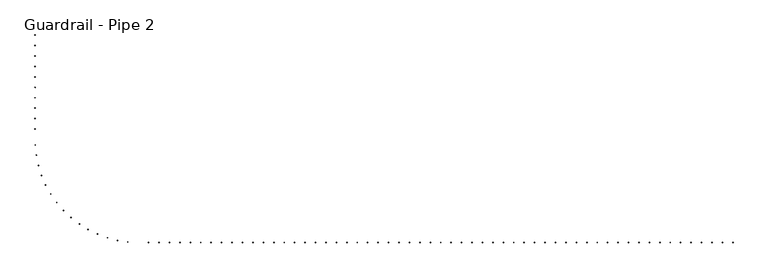
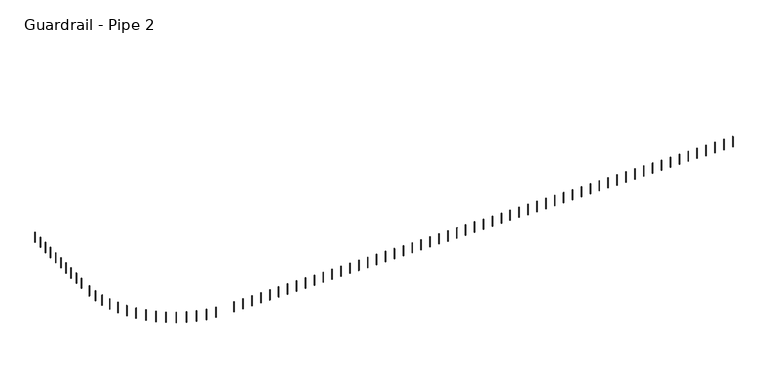
"""IFC4 building model written with IfcOpenShell, lengths in millimetres: railing geometry, Guardrail - Pipe 2."""

import ifcopenshell
import ifcopenshell.guid

model = None  # the IFC model being written
_history = None  # IfcOwnerHistory: only IFC2X3 demands one
_inside = {}  # id of a spatial element -> (the spatial element, [elements in it])
_under = {}  # id of a project, library or spatial element -> (it, [spatial elements below it])
_declared = {}  # id of a project -> (the project, [libraries it declares])
_typed = {}  # id of a type object -> (the type object, [elements of that type])
_made_of = {}  # id of a material, layer set ... -> (it, [elements and type objects made of it])


def new_model(schema):
    """Start an empty IFC model of exactly this schema.

    Asked for "IFC4X3", IfcOpenShell would pick the latest addendum, in which some entities
    have other attributes; the version numbers below select the first issue.
    IFC2X3 requires an IfcOwnerHistory on every rooted entity: one is made here for all.
    """
    global model, _history
    if schema == "IFC4X3":
        model = ifcopenshell.file(schema_version=(4, 3, 0, 0))
    else:
        model = ifcopenshell.file(schema=schema)
    _inside.clear()
    _under.clear()
    _declared.clear()
    _typed.clear()
    _made_of.clear()
    _history = None
    if model.schema == "IFC2X3":
        org = make("IfcOrganization", Name="unknown")
        user = make(
            "IfcPersonAndOrganization",
            ThePerson=make("IfcPerson", FamilyName="unknown"),
            TheOrganization=org,
        )
        app = make(
            "IfcApplication",
            ApplicationDeveloper=org,
            Version="unknown",
            ApplicationFullName="unknown",
            ApplicationIdentifier="unknown",
        )
        _history = make(
            "IfcOwnerHistory",
            OwningUser=user,
            OwningApplication=app,
            ChangeAction="ADDED",
            CreationDate=0,
        )
    return model


def make(cls, **values):
    """One entity of the class cls with the attributes given. An attribute that is None is left unset."""
    return model.create_entity(
        cls, **{name: value for name, value in values.items() if value is not None}
    )


def rooted(cls, **values):
    """An entity with a GlobalId (a new one), such as an element, a storey or a relation."""
    return make(cls, GlobalId=ifcopenshell.guid.new(), OwnerHistory=_history, **values)


def si_unit(unit_type, name, prefix=None):
    """IfcSIUnit, for example si_unit("LENGTHUNIT", "METRE", prefix="MILLI")."""
    return make("IfcSIUnit", UnitType=unit_type, Prefix=prefix, Name=name)


def assignment(units):
    """IfcUnitAssignment: the units of a project."""
    return None if units is None else make("IfcUnitAssignment", Units=units)


def point(xyz):
    """IfcCartesianPoint."""
    return None if xyz is None else make("IfcCartesianPoint", Coordinates=xyz)


def direction(xyz):
    """IfcDirection."""
    return None if xyz is None else make("IfcDirection", DirectionRatios=xyz)


def frame(location, z_axis=None, x_axis=None):
    """IfcAxis2Placement3D, a coordinate frame: its origin and axes. An axis left out is left unset."""
    return make(
        "IfcAxis2Placement3D",
        Location=point(location),
        Axis=direction(z_axis),
        RefDirection=direction(x_axis),
    )


def frame_2d(location, x_axis=None):
    """IfcAxis2Placement2D, a coordinate frame in the plane: its origin and x axis."""
    return make(
        "IfcAxis2Placement2D", Location=point(location), RefDirection=direction(x_axis)
    )


def origin():
    """The frame at (0, 0, 0) with its axes left unset."""
    return frame((0.0, 0.0, 0.0))


def place(relative_to, where):
    """IfcLocalPlacement: puts the frame where relative to a parent placement (None: the world)."""
    return make(
        "IfcLocalPlacement", PlacementRelTo=relative_to, RelativePlacement=where
    )


def context(
    kind, dimensions, precision=None, world=None, true_north=None, identifier=None
):
    """IfcGeometricRepresentationContext, for example the 3D "Model" context."""
    return make(
        "IfcGeometricRepresentationContext",
        ContextIdentifier=identifier,
        ContextType=kind,
        CoordinateSpaceDimension=dimensions,
        Precision=precision,
        WorldCoordinateSystem=world,
        TrueNorth=true_north,
    )


def project(units=None, contexts=None):
    """IfcProject with its units and contexts."""
    return rooted(
        "IfcProject",
        Name="project",
        RepresentationContexts=contexts,
        UnitsInContext=assignment(units),
    )


def spatial(cls, under=None, at=None, **own):
    """A site, building, storey or space (cls), placed at a placement, below another one or the project."""
    s = rooted(cls, ObjectPlacement=at, **own)
    if under is not None:
        _under.setdefault(under.id(), (under, []))[1].append(s)
    return s


def circle_curve(where, radius):
    """IfcCircle in the frame where."""
    return make("IfcCircle", Position=where, Radius=radius)


def trimmed(basis, trim1, trim2, sense, master):
    """IfcTrimmedCurve: the piece of a basis curve between two trims."""
    return make(
        "IfcTrimmedCurve",
        BasisCurve=basis,
        Trim1=trim1,
        Trim2=trim2,
        SenseAgreement=sense,
        MasterRepresentation=master,
    )


def segment(curve, same_sense, transition):
    """IfcCompositeCurveSegment."""
    return make(
        "IfcCompositeCurveSegment",
        Transition=transition,
        SameSense=same_sense,
        ParentCurve=curve,
    )


def composite_curve(segments, self_intersect=None):
    """IfcCompositeCurve: segments joined end to end."""
    return make("IfcCompositeCurve", Segments=segments, SelfIntersect=self_intersect)


def outline(outer, holes=None, kind="AREA"):
    """IfcArbitraryClosedProfileDef: a profile drawn as a closed curve; with holes, ...WithVoids."""
    if holes is None:
        return make("IfcArbitraryClosedProfileDef", ProfileType=kind, OuterCurve=outer)
    return make(
        "IfcArbitraryProfileDefWithVoids",
        ProfileType=kind,
        OuterCurve=outer,
        InnerCurves=holes,
    )


def extrude(swept, where, along, depth):
    """IfcExtrudedAreaSolid: the profile swept, set in the frame where, extruded along a direction by depth."""
    return make(
        "IfcExtrudedAreaSolid",
        SweptArea=swept,
        Position=where,
        ExtrudedDirection=direction(along),
        Depth=depth,
    )


def shape(context_of_items, identifier, shape_type, items):
    """IfcShapeRepresentation: the items that make up one representation, for example the "Body"."""
    return make(
        "IfcShapeRepresentation",
        ContextOfItems=context_of_items,
        RepresentationIdentifier=identifier,
        RepresentationType=shape_type,
        Items=items,
    )


def source(mapping_origin, context_of_items, identifier, shape_type, items):
    """IfcRepresentationMap: a shape defined once, which mapped items show again and again."""
    return make(
        "IfcRepresentationMap",
        MappingOrigin=mapping_origin,
        MappedRepresentation=shape(context_of_items, identifier, shape_type, items),
    )


def transform(
    local_origin,
    x_axis=None,
    y_axis=None,
    z_axis=None,
    scale=None,
    scale2=None,
    scale3=None,
    uniform=True,
):
    """IfcCartesianTransformationOperator3D, or its non-uniform kind. x_axis, y_axis, z_axis: its Axis1, 2, 3."""
    if uniform:
        return make(
            "IfcCartesianTransformationOperator3D",
            Axis1=direction(x_axis),
            Axis2=direction(y_axis),
            LocalOrigin=point(local_origin),
            Scale=scale,
            Axis3=direction(z_axis),
        )
    return make(
        "IfcCartesianTransformationOperator3DnonUniform",
        Axis1=direction(x_axis),
        Axis2=direction(y_axis),
        LocalOrigin=point(local_origin),
        Scale=scale,
        Axis3=direction(z_axis),
        Scale2=scale2,
        Scale3=scale3,
    )


def mapped(mapping_source, mapping_target):
    """IfcMappedItem: shows the shape of a source again, moved by a transform."""
    return make(
        "IfcMappedItem", MappingSource=mapping_source, MappingTarget=mapping_target
    )


def made_of(thing, what):
    """Note that an element or type object is made of a material, layer set ...; save() writes the relation."""
    if what is not None:
        _made_of.setdefault(what.id(), (what, []))[1].append(thing)
    return thing


def element(
    cls,
    number,
    at=None,
    inside=None,
    cuts=None,
    type_object=None,
    material=None,
    context=None,
    identifier="Body",
    shape_type=None,
    held_by="IfcProductDefinitionShape",
    body=None,
    shapes=None,
    **own,
):
    """One element of the class cls, such as IfcWall. Its Tag is "e" and its number.

    at: its placement. inside: the storey or other place that contains it. cuts: it is an
    opening in that element (IfcRelVoidsElement). A single representation is given by context,
    identifier, shape_type and body (its items); several are given by shapes. held_by: the class
    of the entity that holds the representations. save() writes the other relations.
    """
    e = rooted(cls, Tag="e%d" % number, ObjectPlacement=at, **own)
    if body is not None:
        shapes = [shape(context, identifier, shape_type, body)]
    if shapes is not None:
        e.Representation = make(held_by, Representations=shapes)
    if inside is not None:
        _inside.setdefault(inside.id(), (inside, []))[1].append(e)
    if cuts is not None:
        rooted(
            "IfcRelVoidsElement", RelatingBuildingElement=cuts, RelatedOpeningElement=e
        )
    if type_object is not None:
        _typed.setdefault(type_object.id(), (type_object, []))[1].append(e)
    return made_of(e, material)


def aggregate(whole, parts):
    """IfcRelAggregates: a whole, such as a stair, and the parts it consists of."""
    return rooted("IfcRelAggregates", RelatingObject=whole, RelatedObjects=parts)


def save(model, path):
    """Write the relations noted so far, then the file.

    IfcRelAggregates (storeys below a building ...), IfcRelContainedInSpatialStructure (elements
    in a storey), IfcRelDefinesByType, IfcRelAssociatesMaterial and IfcRelDeclares: one each for
    every whole, place, type object, material and project.
    """
    for whole, parts in _under.values():
        aggregate(whole, parts)
    for where, things in _inside.values():
        rooted(
            "IfcRelContainedInSpatialStructure",
            RelatedElements=things,
            RelatingStructure=where,
        )
    for kind, things in _typed.values():
        rooted("IfcRelDefinesByType", RelatedObjects=things, RelatingType=kind)
    for what, things in _made_of.values():
        rooted("IfcRelAssociatesMaterial", RelatedObjects=things, RelatingMaterial=what)
    for by, libraries in _declared.values():
        rooted("IfcRelDeclares", RelatingContext=by, RelatedDefinitions=libraries)
    model.write(path)


def guardrail_pipe_2_c01eb0e3(model_context):
    return source(origin(), model_context, "Body", "SweptSolid", [
        extrude(outline(composite_curve([segment(trimmed(circle_curve(frame_2d((588944.8254676, -278562.6080223)), 12.7), [point((588932.1254676, -278562.6080223))], [point((588957.5254676, -278562.6080223))], False, "CARTESIAN"), True, "CONTINUOUS"), segment(trimmed(circle_curve(frame_2d((588944.8254676, -278562.6080223)), 12.7), [point((588957.5254676, -278562.6080223))], [point((588932.1254676, -278562.6080223))], False, "CARTESIAN"), True, "CONTINUOUS")], self_intersect=False)), frame((0.0, 0.0, 4267.2), z_axis=(0.0, 0.0, 1.0), x_axis=(1.0, 0.0, 0.0)), (0.0, 0.0, 1.0), 723.9),
        extrude(outline(composite_curve([segment(trimmed(circle_curve(frame_2d((588944.8254676, -279172.2080223)), 12.7), [point((588932.1254676, -279172.2080223))], [point((588957.5254676, -279172.2080223))], False, "CARTESIAN"), True, "CONTINUOUS"), segment(trimmed(circle_curve(frame_2d((588944.8254676, -279172.2080223)), 12.7), [point((588957.5254676, -279172.2080223))], [point((588932.1254676, -279172.2080223))], False, "CARTESIAN"), True, "CONTINUOUS")], self_intersect=False)), frame((0.0, 0.0, 4267.2), z_axis=(0.0, 0.0, 1.0), x_axis=(1.0, 0.0, 0.0)), (0.0, 0.0, 1.0), 723.9),
        extrude(outline(composite_curve([segment(trimmed(circle_curve(frame_2d((588944.8254676, -279781.8080223)), 12.7), [point((588932.1254676, -279781.8080223))], [point((588957.5254676, -279781.8080223))], False, "CARTESIAN"), True, "CONTINUOUS"), segment(trimmed(circle_curve(frame_2d((588944.8254676, -279781.8080223)), 12.7), [point((588957.5254676, -279781.8080223))], [point((588932.1254676, -279781.8080223))], False, "CARTESIAN"), True, "CONTINUOUS")], self_intersect=False)), frame((0.0, 0.0, 4267.2), z_axis=(0.0, 0.0, 1.0), x_axis=(1.0, 0.0, 0.0)), (0.0, 0.0, 1.0), 723.9),
        extrude(outline(composite_curve([segment(trimmed(circle_curve(frame_2d((588944.8254676, -280391.4080223)), 12.7), [point((588932.1254676, -280391.4080223))], [point((588957.5254676, -280391.4080223))], False, "CARTESIAN"), True, "CONTINUOUS"), segment(trimmed(circle_curve(frame_2d((588944.8254676, -280391.4080223)), 12.7), [point((588957.5254676, -280391.4080223))], [point((588932.1254676, -280391.4080223))], False, "CARTESIAN"), True, "CONTINUOUS")], self_intersect=False)), frame((0.0, 0.0, 4267.2), z_axis=(0.0, 0.0, 1.0), x_axis=(1.0, 0.0, 0.0)), (0.0, 0.0, 1.0), 723.9),
        extrude(outline(composite_curve([segment(trimmed(circle_curve(frame_2d((588944.8254676, -281001.0080223)), 12.7), [point((588932.1254676, -281001.0080223))], [point((588957.5254676, -281001.0080223))], False, "CARTESIAN"), True, "CONTINUOUS"), segment(trimmed(circle_curve(frame_2d((588944.8254676, -281001.0080223)), 12.7), [point((588957.5254676, -281001.0080223))], [point((588932.1254676, -281001.0080223))], False, "CARTESIAN"), True, "CONTINUOUS")], self_intersect=False)), frame((0.0, 0.0, 4267.2), z_axis=(0.0, 0.0, 1.0), x_axis=(1.0, 0.0, 0.0)), (0.0, 0.0, 1.0), 723.9),
        extrude(outline(composite_curve([segment(trimmed(circle_curve(frame_2d((588944.8254676, -281610.6080223)), 12.7), [point((588932.1254676, -281610.6080223))], [point((588957.5254676, -281610.6080223))], False, "CARTESIAN"), True, "CONTINUOUS"), segment(trimmed(circle_curve(frame_2d((588944.8254676, -281610.6080223)), 12.7), [point((588957.5254676, -281610.6080223))], [point((588932.1254676, -281610.6080223))], False, "CARTESIAN"), True, "CONTINUOUS")], self_intersect=False)), frame((0.0, 0.0, 4267.2), z_axis=(0.0, 0.0, 1.0), x_axis=(1.0, 0.0, 0.0)), (0.0, 0.0, 1.0), 723.9),
        extrude(outline(composite_curve([segment(trimmed(circle_curve(frame_2d((588944.8254676, -282220.2080223)), 12.7), [point((588932.1254676, -282220.2080223))], [point((588957.5254676, -282220.2080223))], False, "CARTESIAN"), True, "CONTINUOUS"), segment(trimmed(circle_curve(frame_2d((588944.8254676, -282220.2080223)), 12.7), [point((588957.5254676, -282220.2080223))], [point((588932.1254676, -282220.2080223))], False, "CARTESIAN"), True, "CONTINUOUS")], self_intersect=False)), frame((0.0, 0.0, 4267.2), z_axis=(0.0, 0.0, 1.0), x_axis=(1.0, 0.0, 0.0)), (0.0, 0.0, 1.0), 723.9),
        extrude(outline(composite_curve([segment(trimmed(circle_curve(frame_2d((588944.8254676, -282829.8080223)), 12.7), [point((588932.1254676, -282829.8080223))], [point((588957.5254676, -282829.8080223))], False, "CARTESIAN"), True, "CONTINUOUS"), segment(trimmed(circle_curve(frame_2d((588944.8254676, -282829.8080223)), 12.7), [point((588957.5254676, -282829.8080223))], [point((588932.1254676, -282829.8080223))], False, "CARTESIAN"), True, "CONTINUOUS")], self_intersect=False)), frame((0.0, 0.0, 4267.2), z_axis=(0.0, 0.0, 1.0), x_axis=(1.0, 0.0, 0.0)), (0.0, 0.0, 1.0), 723.9),
        extrude(outline(composite_curve([segment(trimmed(circle_curve(frame_2d((588944.8254676, -283439.4080223)), 12.7), [point((588932.1254676, -283439.4080223))], [point((588957.5254676, -283439.4080223))], False, "CARTESIAN"), True, "CONTINUOUS"), segment(trimmed(circle_curve(frame_2d((588944.8254676, -283439.4080223)), 12.7), [point((588957.5254676, -283439.4080223))], [point((588932.1254676, -283439.4080223))], False, "CARTESIAN"), True, "CONTINUOUS")], self_intersect=False)), frame((0.0, 0.0, 4267.2), z_axis=(0.0, 0.0, 1.0), x_axis=(1.0, 0.0, 0.0)), (0.0, 0.0, 1.0), 723.9),
        extrude(outline(composite_curve([segment(trimmed(circle_curve(frame_2d((588944.8254676, -284049.0080223)), 12.7), [point((588932.1254676, -284049.0080223))], [point((588957.5254676, -284049.0080223))], False, "CARTESIAN"), True, "CONTINUOUS"), segment(trimmed(circle_curve(frame_2d((588944.8254676, -284049.0080223)), 12.7), [point((588957.5254676, -284049.0080223))], [point((588932.1254676, -284049.0080223))], False, "CARTESIAN"), True, "CONTINUOUS")], self_intersect=False)), frame((0.0, 0.0, 4267.2), z_axis=(0.0, 0.0, 1.0), x_axis=(1.0, 0.0, 0.0)), (0.0, 0.0, 1.0), 723.9),
        extrude(outline(composite_curve([segment(trimmed(circle_curve(frame_2d((588952.9027467, -284970.348246)), 12.7), [point((588940.2197874, -284971.0059258))], [point((588965.585706, -284969.6905663))], False, "CARTESIAN"), True, "CONTINUOUS"), segment(trimmed(circle_curve(frame_2d((588952.9027467, -284970.348246)), 12.7), [point((588965.585706, -284969.6905663))], [point((588940.2197874, -284971.0059258))], False, "CARTESIAN"), True, "CONTINUOUS")], self_intersect=False)), frame((0.0, 0.0, 4267.2), z_axis=(0.0, 0.0, 1.0), x_axis=(1.0, 0.0, 0.0)), (0.0, 0.0, 1.0), 723.9),
        extrude(outline(composite_curve([segment(trimmed(circle_curve(frame_2d((589015.2155249, -285576.4932946)), 12.7), [point((589002.6640271, -285578.4297614))], [point((589027.7670226, -285574.5568278))], False, "CARTESIAN"), True, "CONTINUOUS"), segment(trimmed(circle_curve(frame_2d((589015.2155249, -285576.4932946)), 12.7), [point((589027.7670226, -285574.5568278))], [point((589002.6640271, -285578.4297614))], False, "CARTESIAN"), True, "CONTINUOUS")], self_intersect=False)), frame((0.0, 0.0, 4267.2), z_axis=(0.0, 0.0, 1.0), x_axis=(1.0, 0.0, 0.0)), (0.0, 0.0, 1.0), 723.9),
        extrude(outline(composite_curve([segment(trimmed(circle_curve(frame_2d((589138.485996, -286173.2336847)), 12.7), [point((589126.1945625, -286176.4290975))], [point((589150.7774295, -286170.0382719))], False, "CARTESIAN"), True, "CONTINUOUS"), segment(trimmed(circle_curve(frame_2d((589138.485996, -286173.2336847)), 12.7), [point((589150.7774295, -286170.0382719))], [point((589126.1945625, -286176.4290975))], False, "CARTESIAN"), True, "CONTINUOUS")], self_intersect=False)), frame((0.0, 0.0, 4267.2), z_axis=(0.0, 0.0, 1.0), x_axis=(1.0, 0.0, 0.0)), (0.0, 0.0, 1.0), 723.9),
        extrude(outline(composite_curve([segment(trimmed(circle_curve(frame_2d((589321.45113, -286754.4552103)), 12.7), [point((589309.5456989, -286758.8768289))], [point((589333.3565611, -286750.0335918))], False, "CARTESIAN"), True, "CONTINUOUS"), segment(trimmed(circle_curve(frame_2d((589321.45113, -286754.4552103)), 12.7), [point((589333.3565611, -286750.0335918))], [point((589309.5456989, -286758.8768289))], False, "CARTESIAN"), True, "CONTINUOUS")], self_intersect=False)), frame((0.0, 0.0, 4267.2), z_axis=(0.0, 0.0, 1.0), x_axis=(1.0, 0.0, 0.0)), (0.0, 0.0, 1.0), 723.9),
        extrude(outline(composite_curve([segment(trimmed(circle_curve(frame_2d((589562.236265, -287314.2026721)), 12.7), [point((589550.8388195, -287319.8051925))], [point((589573.6337106, -287308.6001517))], False, "CARTESIAN"), True, "CONTINUOUS"), segment(trimmed(circle_curve(frame_2d((589562.236265, -287314.2026721)), 12.7), [point((589573.6337106, -287308.6001517))], [point((589550.8388195, -287319.8051925))], False, "CARTESIAN"), True, "CONTINUOUS")], self_intersect=False)), frame((0.0, 0.0, 4267.2), z_axis=(0.0, 0.0, 1.0), x_axis=(1.0, 0.0, 0.0)), (0.0, 0.0, 1.0), 723.9),
        extrude(outline(composite_curve([segment(trimmed(circle_curve(frame_2d((589858.374315, -287846.7408938)), 12.7), [point((589847.6016332, -287853.4669125))], [point((589869.1469967, -287840.0148751))], False, "CARTESIAN"), True, "CONTINUOUS"), segment(trimmed(circle_curve(frame_2d((589858.374315, -287846.7408938)), 12.7), [point((589869.1469967, -287840.0148751))], [point((589847.6016332, -287853.4669125))], False, "CARTESIAN"), True, "CONTINUOUS")], self_intersect=False)), frame((0.0, 0.0, 4267.2), z_axis=(0.0, 0.0, 1.0), x_axis=(1.0, 0.0, 0.0)), (0.0, 0.0, 1.0), 723.9),
        extrude(outline(composite_curve([segment(trimmed(circle_curve(frame_2d((590206.8310475, -288346.6134854)), 12.7), [point((590196.7935065, -288354.3940876))], [point((590216.8685884, -288338.8328831))], False, "CARTESIAN"), True, "CONTINUOUS"), segment(trimmed(circle_curve(frame_2d((590206.8310475, -288346.6134854)), 12.7), [point((590216.8685884, -288338.8328831))], [point((590196.7935065, -288354.3940876))], False, "CARTESIAN"), True, "CONTINUOUS")], self_intersect=False)), frame((0.0, 0.0, 4267.2), z_axis=(0.0, 0.0, 1.0), x_axis=(1.0, 0.0, 0.0)), (0.0, 0.0, 1.0), 723.9),
        extrude(outline(composite_curve([segment(trimmed(circle_curve(frame_2d((590604.0361725, -288808.698749)), 12.7), [point((590594.836617, -288817.4542146))], [point((590613.235728, -288799.9432833))], False, "CARTESIAN"), True, "CONTINUOUS"), segment(trimmed(circle_curve(frame_2d((590604.0361725, -288808.698749)), 12.7), [point((590613.235728, -288799.9432833))], [point((590594.836617, -288817.4542146))], False, "CARTESIAN"), True, "CONTINUOUS")], self_intersect=False)), frame((0.0, 0.0, 4267.2), z_axis=(0.0, 0.0, 1.0), x_axis=(1.0, 0.0, 0.0)), (0.0, 0.0, 1.0), 723.9),
        extrude(outline(composite_curve([segment(trimmed(circle_curve(frame_2d((591045.9199238, -289228.262156)), 12.7), [point((591037.6526126, -289237.9027765))], [point((591054.1872351, -289218.6215354))], False, "CARTESIAN"), True, "CONTINUOUS"), segment(trimmed(circle_curve(frame_2d((591045.9199238, -289228.262156)), 12.7), [point((591054.1872351, -289218.6215354))], [point((591037.6526126, -289237.9027765))], False, "CARTESIAN"), True, "CONTINUOUS")], self_intersect=False)), frame((0.0, 0.0, 4267.2), z_axis=(0.0, 0.0, 1.0), x_axis=(1.0, 0.0, 0.0)), (0.0, 0.0, 1.0), 723.9),
        extrude(outline(composite_curve([segment(trimmed(circle_curve(frame_2d((591527.9547577, -289601.004857)), 12.7), [point((591520.7043975, -289611.4318545))], [point((591535.2051178, -289590.5778595))], False, "CARTESIAN"), True, "CONTINUOUS"), segment(trimmed(circle_curve(frame_2d((591527.9547577, -289601.004857)), 12.7), [point((591535.2051178, -289590.5778595))], [point((591520.7043975, -289611.4318545))], False, "CARTESIAN"), True, "CONTINUOUS")], self_intersect=False)), frame((0.0, 0.0, 4267.2), z_axis=(0.0, 0.0, 1.0), x_axis=(1.0, 0.0, 0.0)), (0.0, 0.0, 1.0), 723.9),
        extrude(outline(composite_curve([segment(trimmed(circle_curve(frame_2d((592045.2017419, -289923.1077279)), 12.7), [point((592039.0426202, -289934.2142674))], [point((592051.3608637, -289912.0011884))], False, "CARTESIAN"), True, "CONTINUOUS"), segment(trimmed(circle_curve(frame_2d((592045.2017419, -289923.1077279)), 12.7), [point((592051.3608637, -289912.0011884))], [point((592039.0426202, -289934.2142674))], False, "CARTESIAN"), True, "CONTINUOUS")], self_intersect=False)), frame((0.0, 0.0, 4267.2), z_axis=(0.0, 0.0, 1.0), x_axis=(1.0, 0.0, 0.0)), (0.0, 0.0, 1.0), 723.9),
        extrude(outline(composite_curve([segment(trimmed(circle_curve(frame_2d((592592.3611607, -290191.2705006)), 12.7), [point((592587.3563837, -290202.9427843))], [point((592597.3659377, -290179.5982169))], False, "CARTESIAN"), True, "CONTINUOUS"), segment(trimmed(circle_curve(frame_2d((592592.3611607, -290191.2705006)), 12.7), [point((592597.3659377, -290179.5982169))], [point((592587.3563837, -290202.9427843))], False, "CARTESIAN"), True, "CONTINUOUS")], self_intersect=False)), frame((0.0, 0.0, 4267.2), z_axis=(0.0, 0.0, 1.0), x_axis=(1.0, 0.0, 0.0)), (0.0, 0.0, 1.0), 723.9),
        extrude(outline(composite_curve([segment(trimmed(circle_curve(frame_2d((593163.826815, -290402.7455775)), 12.7), [point((593160.0276617, -290414.8640112))], [point((593167.6259683, -290390.6271438))], False, "CARTESIAN"), True, "CONTINUOUS"), segment(trimmed(circle_curve(frame_2d((593163.826815, -290402.7455775)), 12.7), [point((593167.6259683, -290390.6271438))], [point((593160.0276617, -290414.8640112))], False, "CARTESIAN"), True, "CONTINUOUS")], self_intersect=False)), frame((0.0, 0.0, 4267.2), z_axis=(0.0, 0.0, 1.0), x_axis=(1.0, 0.0, 0.0)), (0.0, 0.0, 1.0), 723.9),
        extrude(outline(composite_curve([segment(trimmed(circle_curve(frame_2d((593753.743464, -290555.3661837)), 12.7), [point((593751.1888606, -290567.8066017))], [point((593756.2980674, -290542.9257656))], False, "CARTESIAN"), True, "CONTINUOUS"), segment(trimmed(circle_curve(frame_2d((593753.743464, -290555.3661837)), 12.7), [point((593756.2980674, -290542.9257656))], [point((593751.1888606, -290567.8066017))], False, "CARTESIAN"), True, "CONTINUOUS")], self_intersect=False)), frame((0.0, 0.0, 4267.2), z_axis=(0.0, 0.0, 1.0), x_axis=(1.0, 0.0, 0.0)), (0.0, 0.0, 1.0), 723.9),
        extrude(outline(composite_curve([segment(trimmed(circle_curve(frame_2d((594356.0668179, -290647.5685674)), 12.7), [point((594354.7829389, -290660.2035052))], [point((594357.3506969, -290634.9336295))], False, "CARTESIAN"), True, "CONTINUOUS"), segment(trimmed(circle_curve(frame_2d((594356.0668179, -290647.5685674)), 12.7), [point((594357.3506969, -290634.9336295))], [point((594354.7829389, -290660.2035052))], False, "CARTESIAN"), True, "CONTINUOUS")], self_intersect=False)), frame((0.0, 0.0, 4267.2), z_axis=(0.0, 0.0, 1.0), x_axis=(1.0, 0.0, 0.0)), (0.0, 0.0, 1.0), 723.9),
        extrude(outline(composite_curve([segment(trimmed(circle_curve(frame_2d((595574.2254676, -290678.4080223)), 12.7), [point((595574.2254676, -290691.1080223))], [point((595574.2254676, -290665.7080223))], False, "CARTESIAN"), True, "CONTINUOUS"), segment(trimmed(circle_curve(frame_2d((595574.2254676, -290678.4080223)), 12.7), [point((595574.2254676, -290665.7080223))], [point((595574.2254676, -290691.1080223))], False, "CARTESIAN"), True, "CONTINUOUS")], self_intersect=False)), frame((0.0, 0.0, 4267.2), z_axis=(0.0, 0.0, 1.0), x_axis=(1.0, 0.0, 0.0)), (0.0, 0.0, 1.0), 723.9),
        extrude(outline(composite_curve([segment(trimmed(circle_curve(frame_2d((596183.8254676, -290678.4080223)), 12.7), [point((596183.8254676, -290691.1080223))], [point((596183.8254676, -290665.7080223))], False, "CARTESIAN"), True, "CONTINUOUS"), segment(trimmed(circle_curve(frame_2d((596183.8254676, -290678.4080223)), 12.7), [point((596183.8254676, -290665.7080223))], [point((596183.8254676, -290691.1080223))], False, "CARTESIAN"), True, "CONTINUOUS")], self_intersect=False)), frame((0.0, 0.0, 4267.2), z_axis=(0.0, 0.0, 1.0), x_axis=(1.0, 0.0, 0.0)), (0.0, 0.0, 1.0), 723.9),
        extrude(outline(composite_curve([segment(trimmed(circle_curve(frame_2d((596793.4254676, -290678.4080223)), 12.7), [point((596793.4254676, -290691.1080223))], [point((596793.4254676, -290665.7080223))], False, "CARTESIAN"), True, "CONTINUOUS"), segment(trimmed(circle_curve(frame_2d((596793.4254676, -290678.4080223)), 12.7), [point((596793.4254676, -290665.7080223))], [point((596793.4254676, -290691.1080223))], False, "CARTESIAN"), True, "CONTINUOUS")], self_intersect=False)), frame((0.0, 0.0, 4267.2), z_axis=(0.0, 0.0, 1.0), x_axis=(1.0, 0.0, 0.0)), (0.0, 0.0, 1.0), 723.9),
        extrude(outline(composite_curve([segment(trimmed(circle_curve(frame_2d((597403.0254676, -290678.4080223)), 12.7), [point((597403.0254676, -290691.1080223))], [point((597403.0254676, -290665.7080223))], False, "CARTESIAN"), True, "CONTINUOUS"), segment(trimmed(circle_curve(frame_2d((597403.0254676, -290678.4080223)), 12.7), [point((597403.0254676, -290665.7080223))], [point((597403.0254676, -290691.1080223))], False, "CARTESIAN"), True, "CONTINUOUS")], self_intersect=False)), frame((0.0, 0.0, 4267.2), z_axis=(0.0, 0.0, 1.0), x_axis=(1.0, 0.0, 0.0)), (0.0, 0.0, 1.0), 723.9),
        extrude(outline(composite_curve([segment(trimmed(circle_curve(frame_2d((598012.6254676, -290678.4080223)), 12.7), [point((598012.6254676, -290691.1080223))], [point((598012.6254676, -290665.7080223))], False, "CARTESIAN"), True, "CONTINUOUS"), segment(trimmed(circle_curve(frame_2d((598012.6254676, -290678.4080223)), 12.7), [point((598012.6254676, -290665.7080223))], [point((598012.6254676, -290691.1080223))], False, "CARTESIAN"), True, "CONTINUOUS")], self_intersect=False)), frame((0.0, 0.0, 4267.2), z_axis=(0.0, 0.0, 1.0), x_axis=(1.0, 0.0, 0.0)), (0.0, 0.0, 1.0), 723.9),
        extrude(outline(composite_curve([segment(trimmed(circle_curve(frame_2d((598622.2254676, -290678.4080223)), 12.7), [point((598622.2254676, -290691.1080223))], [point((598622.2254676, -290665.7080223))], False, "CARTESIAN"), True, "CONTINUOUS"), segment(trimmed(circle_curve(frame_2d((598622.2254676, -290678.4080223)), 12.7), [point((598622.2254676, -290665.7080223))], [point((598622.2254676, -290691.1080223))], False, "CARTESIAN"), True, "CONTINUOUS")], self_intersect=False)), frame((0.0, 0.0, 4267.2), z_axis=(0.0, 0.0, 1.0), x_axis=(1.0, 0.0, 0.0)), (0.0, 0.0, 1.0), 723.9),
        extrude(outline(composite_curve([segment(trimmed(circle_curve(frame_2d((599231.8254676, -290678.4080223)), 12.7), [point((599231.8254676, -290691.1080223))], [point((599231.8254676, -290665.7080223))], False, "CARTESIAN"), True, "CONTINUOUS"), segment(trimmed(circle_curve(frame_2d((599231.8254676, -290678.4080223)), 12.7), [point((599231.8254676, -290665.7080223))], [point((599231.8254676, -290691.1080223))], False, "CARTESIAN"), True, "CONTINUOUS")], self_intersect=False)), frame((0.0, 0.0, 4267.2), z_axis=(0.0, 0.0, 1.0), x_axis=(1.0, 0.0, 0.0)), (0.0, 0.0, 1.0), 723.9),
        extrude(outline(composite_curve([segment(trimmed(circle_curve(frame_2d((599841.4254676, -290678.4080223)), 12.7), [point((599841.4254676, -290691.1080223))], [point((599841.4254676, -290665.7080223))], False, "CARTESIAN"), True, "CONTINUOUS"), segment(trimmed(circle_curve(frame_2d((599841.4254676, -290678.4080223)), 12.7), [point((599841.4254676, -290665.7080223))], [point((599841.4254676, -290691.1080223))], False, "CARTESIAN"), True, "CONTINUOUS")], self_intersect=False)), frame((0.0, 0.0, 4267.2), z_axis=(0.0, 0.0, 1.0), x_axis=(1.0, 0.0, 0.0)), (0.0, 0.0, 1.0), 723.9),
        extrude(outline(composite_curve([segment(trimmed(circle_curve(frame_2d((600451.0254676, -290678.4080223)), 12.7), [point((600451.0254676, -290691.1080223))], [point((600451.0254676, -290665.7080223))], False, "CARTESIAN"), True, "CONTINUOUS"), segment(trimmed(circle_curve(frame_2d((600451.0254676, -290678.4080223)), 12.7), [point((600451.0254676, -290665.7080223))], [point((600451.0254676, -290691.1080223))], False, "CARTESIAN"), True, "CONTINUOUS")], self_intersect=False)), frame((0.0, 0.0, 4267.2), z_axis=(0.0, 0.0, 1.0), x_axis=(1.0, 0.0, 0.0)), (0.0, 0.0, 1.0), 723.9),
        extrude(outline(composite_curve([segment(trimmed(circle_curve(frame_2d((601060.6254676, -290678.4080223)), 12.7), [point((601060.6254676, -290691.1080223))], [point((601060.6254676, -290665.7080223))], False, "CARTESIAN"), True, "CONTINUOUS"), segment(trimmed(circle_curve(frame_2d((601060.6254676, -290678.4080223)), 12.7), [point((601060.6254676, -290665.7080223))], [point((601060.6254676, -290691.1080223))], False, "CARTESIAN"), True, "CONTINUOUS")], self_intersect=False)), frame((0.0, 0.0, 4267.2), z_axis=(0.0, 0.0, 1.0), x_axis=(1.0, 0.0, 0.0)), (0.0, 0.0, 1.0), 723.9),
        extrude(outline(composite_curve([segment(trimmed(circle_curve(frame_2d((601670.2254676, -290678.4080223)), 12.7), [point((601670.2254676, -290691.1080223))], [point((601670.2254676, -290665.7080223))], False, "CARTESIAN"), True, "CONTINUOUS"), segment(trimmed(circle_curve(frame_2d((601670.2254676, -290678.4080223)), 12.7), [point((601670.2254676, -290665.7080223))], [point((601670.2254676, -290691.1080223))], False, "CARTESIAN"), True, "CONTINUOUS")], self_intersect=False)), frame((0.0, 0.0, 4267.2), z_axis=(0.0, 0.0, 1.0), x_axis=(1.0, 0.0, 0.0)), (0.0, 0.0, 1.0), 723.9),
        extrude(outline(composite_curve([segment(trimmed(circle_curve(frame_2d((602279.8254676, -290678.4080223)), 12.7), [point((602279.8254676, -290691.1080223))], [point((602279.8254676, -290665.7080223))], False, "CARTESIAN"), True, "CONTINUOUS"), segment(trimmed(circle_curve(frame_2d((602279.8254676, -290678.4080223)), 12.7), [point((602279.8254676, -290665.7080223))], [point((602279.8254676, -290691.1080223))], False, "CARTESIAN"), True, "CONTINUOUS")], self_intersect=False)), frame((0.0, 0.0, 4267.2), z_axis=(0.0, 0.0, 1.0), x_axis=(1.0, 0.0, 0.0)), (0.0, 0.0, 1.0), 723.9),
        extrude(outline(composite_curve([segment(trimmed(circle_curve(frame_2d((602889.4254676, -290678.4080223)), 12.7), [point((602889.4254676, -290691.1080223))], [point((602889.4254676, -290665.7080223))], False, "CARTESIAN"), True, "CONTINUOUS"), segment(trimmed(circle_curve(frame_2d((602889.4254676, -290678.4080223)), 12.7), [point((602889.4254676, -290665.7080223))], [point((602889.4254676, -290691.1080223))], False, "CARTESIAN"), True, "CONTINUOUS")], self_intersect=False)), frame((0.0, 0.0, 4267.2), z_axis=(0.0, 0.0, 1.0), x_axis=(1.0, 0.0, 0.0)), (0.0, 0.0, 1.0), 723.9),
        extrude(outline(composite_curve([segment(trimmed(circle_curve(frame_2d((603499.0254676, -290678.4080223)), 12.7), [point((603499.0254676, -290691.1080223))], [point((603499.0254676, -290665.7080223))], False, "CARTESIAN"), True, "CONTINUOUS"), segment(trimmed(circle_curve(frame_2d((603499.0254676, -290678.4080223)), 12.7), [point((603499.0254676, -290665.7080223))], [point((603499.0254676, -290691.1080223))], False, "CARTESIAN"), True, "CONTINUOUS")], self_intersect=False)), frame((0.0, 0.0, 4267.2), z_axis=(0.0, 0.0, 1.0), x_axis=(1.0, 0.0, 0.0)), (0.0, 0.0, 1.0), 723.9),
        extrude(outline(composite_curve([segment(trimmed(circle_curve(frame_2d((604108.6254676, -290678.4080223)), 12.7), [point((604108.6254676, -290691.1080223))], [point((604108.6254676, -290665.7080223))], False, "CARTESIAN"), True, "CONTINUOUS"), segment(trimmed(circle_curve(frame_2d((604108.6254676, -290678.4080223)), 12.7), [point((604108.6254676, -290665.7080223))], [point((604108.6254676, -290691.1080223))], False, "CARTESIAN"), True, "CONTINUOUS")], self_intersect=False)), frame((0.0, 0.0, 4267.2), z_axis=(0.0, 0.0, 1.0), x_axis=(1.0, 0.0, 0.0)), (0.0, 0.0, 1.0), 723.9),
        extrude(outline(composite_curve([segment(trimmed(circle_curve(frame_2d((604718.2254676, -290678.4080223)), 12.7), [point((604718.2254676, -290691.1080223))], [point((604718.2254676, -290665.7080223))], False, "CARTESIAN"), True, "CONTINUOUS"), segment(trimmed(circle_curve(frame_2d((604718.2254676, -290678.4080223)), 12.7), [point((604718.2254676, -290665.7080223))], [point((604718.2254676, -290691.1080223))], False, "CARTESIAN"), True, "CONTINUOUS")], self_intersect=False)), frame((0.0, 0.0, 4267.2), z_axis=(0.0, 0.0, 1.0), x_axis=(1.0, 0.0, 0.0)), (0.0, 0.0, 1.0), 723.9),
        extrude(outline(composite_curve([segment(trimmed(circle_curve(frame_2d((605327.8254676, -290678.4080223)), 12.7), [point((605327.8254676, -290691.1080223))], [point((605327.8254676, -290665.7080223))], False, "CARTESIAN"), True, "CONTINUOUS"), segment(trimmed(circle_curve(frame_2d((605327.8254676, -290678.4080223)), 12.7), [point((605327.8254676, -290665.7080223))], [point((605327.8254676, -290691.1080223))], False, "CARTESIAN"), True, "CONTINUOUS")], self_intersect=False)), frame((0.0, 0.0, 4267.2), z_axis=(0.0, 0.0, 1.0), x_axis=(1.0, 0.0, 0.0)), (0.0, 0.0, 1.0), 723.9),
        extrude(outline(composite_curve([segment(trimmed(circle_curve(frame_2d((605937.4254676, -290678.4080223)), 12.7), [point((605937.4254676, -290691.1080223))], [point((605937.4254676, -290665.7080223))], False, "CARTESIAN"), True, "CONTINUOUS"), segment(trimmed(circle_curve(frame_2d((605937.4254676, -290678.4080223)), 12.7), [point((605937.4254676, -290665.7080223))], [point((605937.4254676, -290691.1080223))], False, "CARTESIAN"), True, "CONTINUOUS")], self_intersect=False)), frame((0.0, 0.0, 4267.2), z_axis=(0.0, 0.0, 1.0), x_axis=(1.0, 0.0, 0.0)), (0.0, 0.0, 1.0), 723.9),
        extrude(outline(composite_curve([segment(trimmed(circle_curve(frame_2d((606547.0254676, -290678.4080223)), 12.7), [point((606547.0254676, -290691.1080223))], [point((606547.0254676, -290665.7080223))], False, "CARTESIAN"), True, "CONTINUOUS"), segment(trimmed(circle_curve(frame_2d((606547.0254676, -290678.4080223)), 12.7), [point((606547.0254676, -290665.7080223))], [point((606547.0254676, -290691.1080223))], False, "CARTESIAN"), True, "CONTINUOUS")], self_intersect=False)), frame((0.0, 0.0, 4267.2), z_axis=(0.0, 0.0, 1.0), x_axis=(1.0, 0.0, 0.0)), (0.0, 0.0, 1.0), 723.9),
        extrude(outline(composite_curve([segment(trimmed(circle_curve(frame_2d((607156.6254676, -290678.4080223)), 12.7), [point((607156.6254676, -290691.1080223))], [point((607156.6254676, -290665.7080223))], False, "CARTESIAN"), True, "CONTINUOUS"), segment(trimmed(circle_curve(frame_2d((607156.6254676, -290678.4080223)), 12.7), [point((607156.6254676, -290665.7080223))], [point((607156.6254676, -290691.1080223))], False, "CARTESIAN"), True, "CONTINUOUS")], self_intersect=False)), frame((0.0, 0.0, 4267.2), z_axis=(0.0, 0.0, 1.0), x_axis=(1.0, 0.0, 0.0)), (0.0, 0.0, 1.0), 723.9),
        extrude(outline(composite_curve([segment(trimmed(circle_curve(frame_2d((607766.2254676, -290678.4080223)), 12.7), [point((607766.2254676, -290691.1080223))], [point((607766.2254676, -290665.7080223))], False, "CARTESIAN"), True, "CONTINUOUS"), segment(trimmed(circle_curve(frame_2d((607766.2254676, -290678.4080223)), 12.7), [point((607766.2254676, -290665.7080223))], [point((607766.2254676, -290691.1080223))], False, "CARTESIAN"), True, "CONTINUOUS")], self_intersect=False)), frame((0.0, 0.0, 4267.2), z_axis=(0.0, 0.0, 1.0), x_axis=(1.0, 0.0, 0.0)), (0.0, 0.0, 1.0), 723.9),
        extrude(outline(composite_curve([segment(trimmed(circle_curve(frame_2d((608375.8254676, -290678.4080223)), 12.7), [point((608375.8254676, -290691.1080223))], [point((608375.8254676, -290665.7080223))], False, "CARTESIAN"), True, "CONTINUOUS"), segment(trimmed(circle_curve(frame_2d((608375.8254676, -290678.4080223)), 12.7), [point((608375.8254676, -290665.7080223))], [point((608375.8254676, -290691.1080223))], False, "CARTESIAN"), True, "CONTINUOUS")], self_intersect=False)), frame((0.0, 0.0, 4267.2), z_axis=(0.0, 0.0, 1.0), x_axis=(1.0, 0.0, 0.0)), (0.0, 0.0, 1.0), 723.9),
        extrude(outline(composite_curve([segment(trimmed(circle_curve(frame_2d((608985.4254676, -290678.4080223)), 12.7), [point((608985.4254676, -290691.1080223))], [point((608985.4254676, -290665.7080223))], False, "CARTESIAN"), True, "CONTINUOUS"), segment(trimmed(circle_curve(frame_2d((608985.4254676, -290678.4080223)), 12.7), [point((608985.4254676, -290665.7080223))], [point((608985.4254676, -290691.1080223))], False, "CARTESIAN"), True, "CONTINUOUS")], self_intersect=False)), frame((0.0, 0.0, 4267.2), z_axis=(0.0, 0.0, 1.0), x_axis=(1.0, 0.0, 0.0)), (0.0, 0.0, 1.0), 723.9),
        extrude(outline(composite_curve([segment(trimmed(circle_curve(frame_2d((609595.0254676, -290678.4080223)), 12.7), [point((609595.0254676, -290691.1080223))], [point((609595.0254676, -290665.7080223))], False, "CARTESIAN"), True, "CONTINUOUS"), segment(trimmed(circle_curve(frame_2d((609595.0254676, -290678.4080223)), 12.7), [point((609595.0254676, -290665.7080223))], [point((609595.0254676, -290691.1080223))], False, "CARTESIAN"), True, "CONTINUOUS")], self_intersect=False)), frame((0.0, 0.0, 4267.2), z_axis=(0.0, 0.0, 1.0), x_axis=(1.0, 0.0, 0.0)), (0.0, 0.0, 1.0), 723.9),
        extrude(outline(composite_curve([segment(trimmed(circle_curve(frame_2d((610204.6254676, -290678.4080223)), 12.7), [point((610204.6254676, -290691.1080223))], [point((610204.6254676, -290665.7080223))], False, "CARTESIAN"), True, "CONTINUOUS"), segment(trimmed(circle_curve(frame_2d((610204.6254676, -290678.4080223)), 12.7), [point((610204.6254676, -290665.7080223))], [point((610204.6254676, -290691.1080223))], False, "CARTESIAN"), True, "CONTINUOUS")], self_intersect=False)), frame((0.0, 0.0, 4267.2), z_axis=(0.0, 0.0, 1.0), x_axis=(1.0, 0.0, 0.0)), (0.0, 0.0, 1.0), 723.9),
        extrude(outline(composite_curve([segment(trimmed(circle_curve(frame_2d((610814.2254676, -290678.4080223)), 12.7), [point((610814.2254676, -290691.1080223))], [point((610814.2254676, -290665.7080223))], False, "CARTESIAN"), True, "CONTINUOUS"), segment(trimmed(circle_curve(frame_2d((610814.2254676, -290678.4080223)), 12.7), [point((610814.2254676, -290665.7080223))], [point((610814.2254676, -290691.1080223))], False, "CARTESIAN"), True, "CONTINUOUS")], self_intersect=False)), frame((0.0, 0.0, 4267.2), z_axis=(0.0, 0.0, 1.0), x_axis=(1.0, 0.0, 0.0)), (0.0, 0.0, 1.0), 723.9),
        extrude(outline(composite_curve([segment(trimmed(circle_curve(frame_2d((611423.8254676, -290678.4080223)), 12.7), [point((611423.8254676, -290691.1080223))], [point((611423.8254676, -290665.7080223))], False, "CARTESIAN"), True, "CONTINUOUS"), segment(trimmed(circle_curve(frame_2d((611423.8254676, -290678.4080223)), 12.7), [point((611423.8254676, -290665.7080223))], [point((611423.8254676, -290691.1080223))], False, "CARTESIAN"), True, "CONTINUOUS")], self_intersect=False)), frame((0.0, 0.0, 4267.2), z_axis=(0.0, 0.0, 1.0), x_axis=(1.0, 0.0, 0.0)), (0.0, 0.0, 1.0), 723.9),
        extrude(outline(composite_curve([segment(trimmed(circle_curve(frame_2d((612033.4254676, -290678.4080223)), 12.7), [point((612033.4254676, -290691.1080223))], [point((612033.4254676, -290665.7080223))], False, "CARTESIAN"), True, "CONTINUOUS"), segment(trimmed(circle_curve(frame_2d((612033.4254676, -290678.4080223)), 12.7), [point((612033.4254676, -290665.7080223))], [point((612033.4254676, -290691.1080223))], False, "CARTESIAN"), True, "CONTINUOUS")], self_intersect=False)), frame((0.0, 0.0, 4267.2), z_axis=(0.0, 0.0, 1.0), x_axis=(1.0, 0.0, 0.0)), (0.0, 0.0, 1.0), 723.9),
        extrude(outline(composite_curve([segment(trimmed(circle_curve(frame_2d((612643.0254676, -290678.4080223)), 12.7), [point((612643.0254676, -290691.1080223))], [point((612643.0254676, -290665.7080223))], False, "CARTESIAN"), True, "CONTINUOUS"), segment(trimmed(circle_curve(frame_2d((612643.0254676, -290678.4080223)), 12.7), [point((612643.0254676, -290665.7080223))], [point((612643.0254676, -290691.1080223))], False, "CARTESIAN"), True, "CONTINUOUS")], self_intersect=False)), frame((0.0, 0.0, 4267.2), z_axis=(0.0, 0.0, 1.0), x_axis=(1.0, 0.0, 0.0)), (0.0, 0.0, 1.0), 723.9),
        extrude(outline(composite_curve([segment(trimmed(circle_curve(frame_2d((613252.6254676, -290678.4080223)), 12.7), [point((613252.6254676, -290691.1080223))], [point((613252.6254676, -290665.7080223))], False, "CARTESIAN"), True, "CONTINUOUS"), segment(trimmed(circle_curve(frame_2d((613252.6254676, -290678.4080223)), 12.7), [point((613252.6254676, -290665.7080223))], [point((613252.6254676, -290691.1080223))], False, "CARTESIAN"), True, "CONTINUOUS")], self_intersect=False)), frame((0.0, 0.0, 4267.2), z_axis=(0.0, 0.0, 1.0), x_axis=(1.0, 0.0, 0.0)), (0.0, 0.0, 1.0), 723.9),
        extrude(outline(composite_curve([segment(trimmed(circle_curve(frame_2d((613862.2254676, -290678.4080223)), 12.7), [point((613862.2254676, -290691.1080223))], [point((613862.2254676, -290665.7080223))], False, "CARTESIAN"), True, "CONTINUOUS"), segment(trimmed(circle_curve(frame_2d((613862.2254676, -290678.4080223)), 12.7), [point((613862.2254676, -290665.7080223))], [point((613862.2254676, -290691.1080223))], False, "CARTESIAN"), True, "CONTINUOUS")], self_intersect=False)), frame((0.0, 0.0, 4267.2), z_axis=(0.0, 0.0, 1.0), x_axis=(1.0, 0.0, 0.0)), (0.0, 0.0, 1.0), 723.9),
        extrude(outline(composite_curve([segment(trimmed(circle_curve(frame_2d((614471.8254676, -290678.4080223)), 12.7), [point((614471.8254676, -290691.1080223))], [point((614471.8254676, -290665.7080223))], False, "CARTESIAN"), True, "CONTINUOUS"), segment(trimmed(circle_curve(frame_2d((614471.8254676, -290678.4080223)), 12.7), [point((614471.8254676, -290665.7080223))], [point((614471.8254676, -290691.1080223))], False, "CARTESIAN"), True, "CONTINUOUS")], self_intersect=False)), frame((0.0, 0.0, 4267.2), z_axis=(0.0, 0.0, 1.0), x_axis=(1.0, 0.0, 0.0)), (0.0, 0.0, 1.0), 723.9),
        extrude(outline(composite_curve([segment(trimmed(circle_curve(frame_2d((615081.4254676, -290678.4080223)), 12.7), [point((615081.4254676, -290691.1080223))], [point((615081.4254676, -290665.7080223))], False, "CARTESIAN"), True, "CONTINUOUS"), segment(trimmed(circle_curve(frame_2d((615081.4254676, -290678.4080223)), 12.7), [point((615081.4254676, -290665.7080223))], [point((615081.4254676, -290691.1080223))], False, "CARTESIAN"), True, "CONTINUOUS")], self_intersect=False)), frame((0.0, 0.0, 4267.2), z_axis=(0.0, 0.0, 1.0), x_axis=(1.0, 0.0, 0.0)), (0.0, 0.0, 1.0), 723.9),
        extrude(outline(composite_curve([segment(trimmed(circle_curve(frame_2d((615691.0254676, -290678.4080223)), 12.7), [point((615691.0254676, -290691.1080223))], [point((615691.0254676, -290665.7080223))], False, "CARTESIAN"), True, "CONTINUOUS"), segment(trimmed(circle_curve(frame_2d((615691.0254676, -290678.4080223)), 12.7), [point((615691.0254676, -290665.7080223))], [point((615691.0254676, -290691.1080223))], False, "CARTESIAN"), True, "CONTINUOUS")], self_intersect=False)), frame((0.0, 0.0, 4267.2), z_axis=(0.0, 0.0, 1.0), x_axis=(1.0, 0.0, 0.0)), (0.0, 0.0, 1.0), 723.9),
        extrude(outline(composite_curve([segment(trimmed(circle_curve(frame_2d((616300.6254676, -290678.4080223)), 12.7), [point((616300.6254676, -290691.1080223))], [point((616300.6254676, -290665.7080223))], False, "CARTESIAN"), True, "CONTINUOUS"), segment(trimmed(circle_curve(frame_2d((616300.6254676, -290678.4080223)), 12.7), [point((616300.6254676, -290665.7080223))], [point((616300.6254676, -290691.1080223))], False, "CARTESIAN"), True, "CONTINUOUS")], self_intersect=False)), frame((0.0, 0.0, 4267.2), z_axis=(0.0, 0.0, 1.0), x_axis=(1.0, 0.0, 0.0)), (0.0, 0.0, 1.0), 723.9),
        extrude(outline(composite_curve([segment(trimmed(circle_curve(frame_2d((616910.2254676, -290678.4080223)), 12.7), [point((616910.2254676, -290691.1080223))], [point((616910.2254676, -290665.7080223))], False, "CARTESIAN"), True, "CONTINUOUS"), segment(trimmed(circle_curve(frame_2d((616910.2254676, -290678.4080223)), 12.7), [point((616910.2254676, -290665.7080223))], [point((616910.2254676, -290691.1080223))], False, "CARTESIAN"), True, "CONTINUOUS")], self_intersect=False)), frame((0.0, 0.0, 4267.2), z_axis=(0.0, 0.0, 1.0), x_axis=(1.0, 0.0, 0.0)), (0.0, 0.0, 1.0), 723.9),
        extrude(outline(composite_curve([segment(trimmed(circle_curve(frame_2d((617519.8254676, -290678.4080223)), 12.7), [point((617519.8254676, -290691.1080223))], [point((617519.8254676, -290665.7080223))], False, "CARTESIAN"), True, "CONTINUOUS"), segment(trimmed(circle_curve(frame_2d((617519.8254676, -290678.4080223)), 12.7), [point((617519.8254676, -290665.7080223))], [point((617519.8254676, -290691.1080223))], False, "CARTESIAN"), True, "CONTINUOUS")], self_intersect=False)), frame((0.0, 0.0, 4267.2), z_axis=(0.0, 0.0, 1.0), x_axis=(1.0, 0.0, 0.0)), (0.0, 0.0, 1.0), 723.9),
        extrude(outline(composite_curve([segment(trimmed(circle_curve(frame_2d((618129.4254676, -290678.4080223)), 12.7), [point((618129.4254676, -290691.1080223))], [point((618129.4254676, -290665.7080223))], False, "CARTESIAN"), True, "CONTINUOUS"), segment(trimmed(circle_curve(frame_2d((618129.4254676, -290678.4080223)), 12.7), [point((618129.4254676, -290665.7080223))], [point((618129.4254676, -290691.1080223))], False, "CARTESIAN"), True, "CONTINUOUS")], self_intersect=False)), frame((0.0, 0.0, 4267.2), z_axis=(0.0, 0.0, 1.0), x_axis=(1.0, 0.0, 0.0)), (0.0, 0.0, 1.0), 723.9),
        extrude(outline(composite_curve([segment(trimmed(circle_curve(frame_2d((618739.0254676, -290678.4080223)), 12.7), [point((618739.0254676, -290691.1080223))], [point((618739.0254676, -290665.7080223))], False, "CARTESIAN"), True, "CONTINUOUS"), segment(trimmed(circle_curve(frame_2d((618739.0254676, -290678.4080223)), 12.7), [point((618739.0254676, -290665.7080223))], [point((618739.0254676, -290691.1080223))], False, "CARTESIAN"), True, "CONTINUOUS")], self_intersect=False)), frame((0.0, 0.0, 4267.2), z_axis=(0.0, 0.0, 1.0), x_axis=(1.0, 0.0, 0.0)), (0.0, 0.0, 1.0), 723.9),
        extrude(outline(composite_curve([segment(trimmed(circle_curve(frame_2d((619348.6254676, -290678.4080223)), 12.7), [point((619348.6254676, -290691.1080223))], [point((619348.6254676, -290665.7080223))], False, "CARTESIAN"), True, "CONTINUOUS"), segment(trimmed(circle_curve(frame_2d((619348.6254676, -290678.4080223)), 12.7), [point((619348.6254676, -290665.7080223))], [point((619348.6254676, -290691.1080223))], False, "CARTESIAN"), True, "CONTINUOUS")], self_intersect=False)), frame((0.0, 0.0, 4267.2), z_axis=(0.0, 0.0, 1.0), x_axis=(1.0, 0.0, 0.0)), (0.0, 0.0, 1.0), 723.9),
        extrude(outline(composite_curve([segment(trimmed(circle_curve(frame_2d((619958.2254676, -290678.4080223)), 12.7), [point((619958.2254676, -290691.1080223))], [point((619958.2254676, -290665.7080223))], False, "CARTESIAN"), True, "CONTINUOUS"), segment(trimmed(circle_curve(frame_2d((619958.2254676, -290678.4080223)), 12.7), [point((619958.2254676, -290665.7080223))], [point((619958.2254676, -290691.1080223))], False, "CARTESIAN"), True, "CONTINUOUS")], self_intersect=False)), frame((0.0, 0.0, 4267.2), z_axis=(0.0, 0.0, 1.0), x_axis=(1.0, 0.0, 0.0)), (0.0, 0.0, 1.0), 723.9),
        extrude(outline(composite_curve([segment(trimmed(circle_curve(frame_2d((620567.8254676, -290678.4080223)), 12.7), [point((620567.8254676, -290691.1080223))], [point((620567.8254676, -290665.7080223))], False, "CARTESIAN"), True, "CONTINUOUS"), segment(trimmed(circle_curve(frame_2d((620567.8254676, -290678.4080223)), 12.7), [point((620567.8254676, -290665.7080223))], [point((620567.8254676, -290691.1080223))], False, "CARTESIAN"), True, "CONTINUOUS")], self_intersect=False)), frame((0.0, 0.0, 4267.2), z_axis=(0.0, 0.0, 1.0), x_axis=(1.0, 0.0, 0.0)), (0.0, 0.0, 1.0), 723.9),
        extrude(outline(composite_curve([segment(trimmed(circle_curve(frame_2d((621177.4254676, -290678.4080223)), 12.7), [point((621177.4254676, -290691.1080223))], [point((621177.4254676, -290665.7080223))], False, "CARTESIAN"), True, "CONTINUOUS"), segment(trimmed(circle_curve(frame_2d((621177.4254676, -290678.4080223)), 12.7), [point((621177.4254676, -290665.7080223))], [point((621177.4254676, -290691.1080223))], False, "CARTESIAN"), True, "CONTINUOUS")], self_intersect=False)), frame((0.0, 0.0, 4267.2), z_axis=(0.0, 0.0, 1.0), x_axis=(1.0, 0.0, 0.0)), (0.0, 0.0, 1.0), 723.9),
        extrude(outline(composite_curve([segment(trimmed(circle_curve(frame_2d((621787.0254676, -290678.4080223)), 12.7), [point((621787.0254676, -290691.1080223))], [point((621787.0254676, -290665.7080223))], False, "CARTESIAN"), True, "CONTINUOUS"), segment(trimmed(circle_curve(frame_2d((621787.0254676, -290678.4080223)), 12.7), [point((621787.0254676, -290665.7080223))], [point((621787.0254676, -290691.1080223))], False, "CARTESIAN"), True, "CONTINUOUS")], self_intersect=False)), frame((0.0, 0.0, 4267.2), z_axis=(0.0, 0.0, 1.0), x_axis=(1.0, 0.0, 0.0)), (0.0, 0.0, 1.0), 723.9),
        extrude(outline(composite_curve([segment(trimmed(circle_curve(frame_2d((622396.6254676, -290678.4080223)), 12.7), [point((622396.6254676, -290691.1080223))], [point((622396.6254676, -290665.7080223))], False, "CARTESIAN"), True, "CONTINUOUS"), segment(trimmed(circle_curve(frame_2d((622396.6254676, -290678.4080223)), 12.7), [point((622396.6254676, -290665.7080223))], [point((622396.6254676, -290691.1080223))], False, "CARTESIAN"), True, "CONTINUOUS")], self_intersect=False)), frame((0.0, 0.0, 4267.2), z_axis=(0.0, 0.0, 1.0), x_axis=(1.0, 0.0, 0.0)), (0.0, 0.0, 1.0), 723.9),
        extrude(outline(composite_curve([segment(trimmed(circle_curve(frame_2d((623006.2254676, -290678.4080223)), 12.7), [point((623006.2254676, -290691.1080223))], [point((623006.2254676, -290665.7080223))], False, "CARTESIAN"), True, "CONTINUOUS"), segment(trimmed(circle_curve(frame_2d((623006.2254676, -290678.4080223)), 12.7), [point((623006.2254676, -290665.7080223))], [point((623006.2254676, -290691.1080223))], False, "CARTESIAN"), True, "CONTINUOUS")], self_intersect=False)), frame((0.0, 0.0, 4267.2), z_axis=(0.0, 0.0, 1.0), x_axis=(1.0, 0.0, 0.0)), (0.0, 0.0, 1.0), 723.9),
        extrude(outline(composite_curve([segment(trimmed(circle_curve(frame_2d((623615.8254676, -290678.4080223)), 12.7), [point((623615.8254676, -290691.1080223))], [point((623615.8254676, -290665.7080223))], False, "CARTESIAN"), True, "CONTINUOUS"), segment(trimmed(circle_curve(frame_2d((623615.8254676, -290678.4080223)), 12.7), [point((623615.8254676, -290665.7080223))], [point((623615.8254676, -290691.1080223))], False, "CARTESIAN"), True, "CONTINUOUS")], self_intersect=False)), frame((0.0, 0.0, 4267.2), z_axis=(0.0, 0.0, 1.0), x_axis=(1.0, 0.0, 0.0)), (0.0, 0.0, 1.0), 723.9),
        extrude(outline(composite_curve([segment(trimmed(circle_curve(frame_2d((624225.4254676, -290678.4080223)), 12.7), [point((624225.4254676, -290691.1080223))], [point((624225.4254676, -290665.7080223))], False, "CARTESIAN"), True, "CONTINUOUS"), segment(trimmed(circle_curve(frame_2d((624225.4254676, -290678.4080223)), 12.7), [point((624225.4254676, -290665.7080223))], [point((624225.4254676, -290691.1080223))], False, "CARTESIAN"), True, "CONTINUOUS")], self_intersect=False)), frame((0.0, 0.0, 4267.2), z_axis=(0.0, 0.0, 1.0), x_axis=(1.0, 0.0, 0.0)), (0.0, 0.0, 1.0), 723.9),
        extrude(outline(composite_curve([segment(trimmed(circle_curve(frame_2d((624835.0254676, -290678.4080223)), 12.7), [point((624835.0254676, -290691.1080223))], [point((624835.0254676, -290665.7080223))], False, "CARTESIAN"), True, "CONTINUOUS"), segment(trimmed(circle_curve(frame_2d((624835.0254676, -290678.4080223)), 12.7), [point((624835.0254676, -290665.7080223))], [point((624835.0254676, -290691.1080223))], False, "CARTESIAN"), True, "CONTINUOUS")], self_intersect=False)), frame((0.0, 0.0, 4267.2), z_axis=(0.0, 0.0, 1.0), x_axis=(1.0, 0.0, 0.0)), (0.0, 0.0, 1.0), 723.9),
        extrude(outline(composite_curve([segment(trimmed(circle_curve(frame_2d((625444.6254676, -290678.4080223)), 12.7), [point((625444.6254676, -290691.1080223))], [point((625444.6254676, -290665.7080223))], False, "CARTESIAN"), True, "CONTINUOUS"), segment(trimmed(circle_curve(frame_2d((625444.6254676, -290678.4080223)), 12.7), [point((625444.6254676, -290665.7080223))], [point((625444.6254676, -290691.1080223))], False, "CARTESIAN"), True, "CONTINUOUS")], self_intersect=False)), frame((0.0, 0.0, 4267.2), z_axis=(0.0, 0.0, 1.0), x_axis=(1.0, 0.0, 0.0)), (0.0, 0.0, 1.0), 723.9),
        extrude(outline(composite_curve([segment(trimmed(circle_curve(frame_2d((626054.2254676, -290678.4080223)), 12.7), [point((626054.2254676, -290691.1080223))], [point((626054.2254676, -290665.7080223))], False, "CARTESIAN"), True, "CONTINUOUS"), segment(trimmed(circle_curve(frame_2d((626054.2254676, -290678.4080223)), 12.7), [point((626054.2254676, -290665.7080223))], [point((626054.2254676, -290691.1080223))], False, "CARTESIAN"), True, "CONTINUOUS")], self_intersect=False)), frame((0.0, 0.0, 4267.2), z_axis=(0.0, 0.0, 1.0), x_axis=(1.0, 0.0, 0.0)), (0.0, 0.0, 1.0), 723.9),
        extrude(outline(composite_curve([segment(trimmed(circle_curve(frame_2d((626663.8254676, -290678.4080223)), 12.7), [point((626663.8254676, -290691.1080223))], [point((626663.8254676, -290665.7080223))], False, "CARTESIAN"), True, "CONTINUOUS"), segment(trimmed(circle_curve(frame_2d((626663.8254676, -290678.4080223)), 12.7), [point((626663.8254676, -290665.7080223))], [point((626663.8254676, -290691.1080223))], False, "CARTESIAN"), True, "CONTINUOUS")], self_intersect=False)), frame((0.0, 0.0, 4267.2), z_axis=(0.0, 0.0, 1.0), x_axis=(1.0, 0.0, 0.0)), (0.0, 0.0, 1.0), 723.9),
        extrude(outline(composite_curve([segment(trimmed(circle_curve(frame_2d((627273.4254676, -290678.4080223)), 12.7), [point((627273.4254676, -290691.1080223))], [point((627273.4254676, -290665.7080223))], False, "CARTESIAN"), True, "CONTINUOUS"), segment(trimmed(circle_curve(frame_2d((627273.4254676, -290678.4080223)), 12.7), [point((627273.4254676, -290665.7080223))], [point((627273.4254676, -290691.1080223))], False, "CARTESIAN"), True, "CONTINUOUS")], self_intersect=False)), frame((0.0, 0.0, 4267.2), z_axis=(0.0, 0.0, 1.0), x_axis=(1.0, 0.0, 0.0)), (0.0, 0.0, 1.0), 723.9),
        extrude(outline(composite_curve([segment(trimmed(circle_curve(frame_2d((627883.0254676, -290678.4080223)), 12.7), [point((627883.0254676, -290691.1080223))], [point((627883.0254676, -290665.7080223))], False, "CARTESIAN"), True, "CONTINUOUS"), segment(trimmed(circle_curve(frame_2d((627883.0254676, -290678.4080223)), 12.7), [point((627883.0254676, -290665.7080223))], [point((627883.0254676, -290691.1080223))], False, "CARTESIAN"), True, "CONTINUOUS")], self_intersect=False)), frame((0.0, 0.0, 4267.2), z_axis=(0.0, 0.0, 1.0), x_axis=(1.0, 0.0, 0.0)), (0.0, 0.0, 1.0), 723.9),
        extrude(outline(composite_curve([segment(trimmed(circle_curve(frame_2d((628492.6254676, -290678.4080223)), 12.7), [point((628492.6254676, -290691.1080223))], [point((628492.6254676, -290665.7080223))], False, "CARTESIAN"), True, "CONTINUOUS"), segment(trimmed(circle_curve(frame_2d((628492.6254676, -290678.4080223)), 12.7), [point((628492.6254676, -290665.7080223))], [point((628492.6254676, -290691.1080223))], False, "CARTESIAN"), True, "CONTINUOUS")], self_intersect=False)), frame((0.0, 0.0, 4267.2), z_axis=(0.0, 0.0, 1.0), x_axis=(1.0, 0.0, 0.0)), (0.0, 0.0, 1.0), 723.9),
        extrude(outline(composite_curve([segment(trimmed(circle_curve(frame_2d((629102.2254676, -290678.4080223)), 12.7), [point((629102.2254676, -290691.1080223))], [point((629102.2254676, -290665.7080223))], False, "CARTESIAN"), True, "CONTINUOUS"), segment(trimmed(circle_curve(frame_2d((629102.2254676, -290678.4080223)), 12.7), [point((629102.2254676, -290665.7080223))], [point((629102.2254676, -290691.1080223))], False, "CARTESIAN"), True, "CONTINUOUS")], self_intersect=False)), frame((0.0, 0.0, 4267.2), z_axis=(0.0, 0.0, 1.0), x_axis=(1.0, 0.0, 0.0)), (0.0, 0.0, 1.0), 723.9),
        extrude(outline(composite_curve([segment(trimmed(circle_curve(frame_2d((629711.8254676, -290678.4080223)), 12.7), [point((629711.8254676, -290691.1080223))], [point((629711.8254676, -290665.7080223))], False, "CARTESIAN"), True, "CONTINUOUS"), segment(trimmed(circle_curve(frame_2d((629711.8254676, -290678.4080223)), 12.7), [point((629711.8254676, -290665.7080223))], [point((629711.8254676, -290691.1080223))], False, "CARTESIAN"), True, "CONTINUOUS")], self_intersect=False)), frame((0.0, 0.0, 4267.2), z_axis=(0.0, 0.0, 1.0), x_axis=(1.0, 0.0, 0.0)), (0.0, 0.0, 1.0), 723.9),
    ])


if __name__ == "__main__":
    model = new_model("IFC4")
    model_context = context("Model", 3, world=origin())
    ifc_project = project(units=[si_unit("LENGTHUNIT", "METRE", prefix="MILLI")], contexts=[model_context])
    site = spatial("IfcSite", under=ifc_project)
    building = spatial("IfcBuilding", under=site)
    placement = place(None, origin())
    guardrail_pipe_2_shape = guardrail_pipe_2_c01eb0e3(model_context)
    element("IfcRailing", 1, ObjectType="Guardrail - Pipe 2", at=placement, inside=building, context=model_context, shape_type="MappedRepresentation", body=[
        mapped(guardrail_pipe_2_shape, transform((0.0, 0.0, 0.0), x_axis=(1.0, 0.0, 0.0), y_axis=(0.0, 1.0, 0.0), z_axis=(0.0, 0.0, 1.0))),
    ])
    save(model, "model.ifc")
